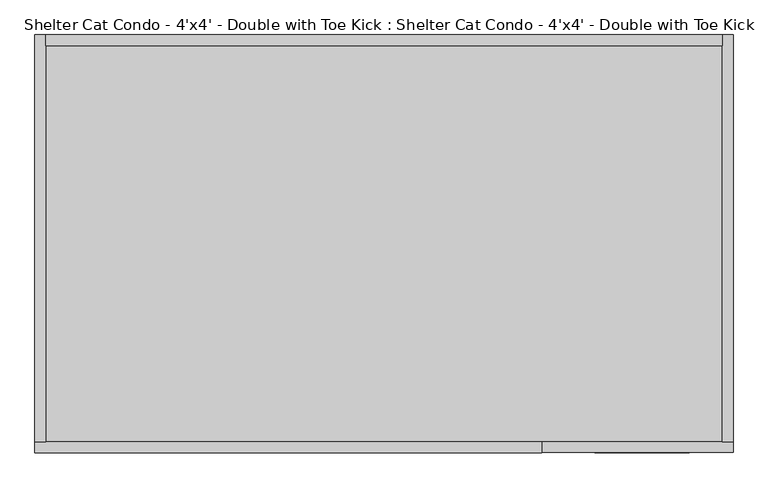
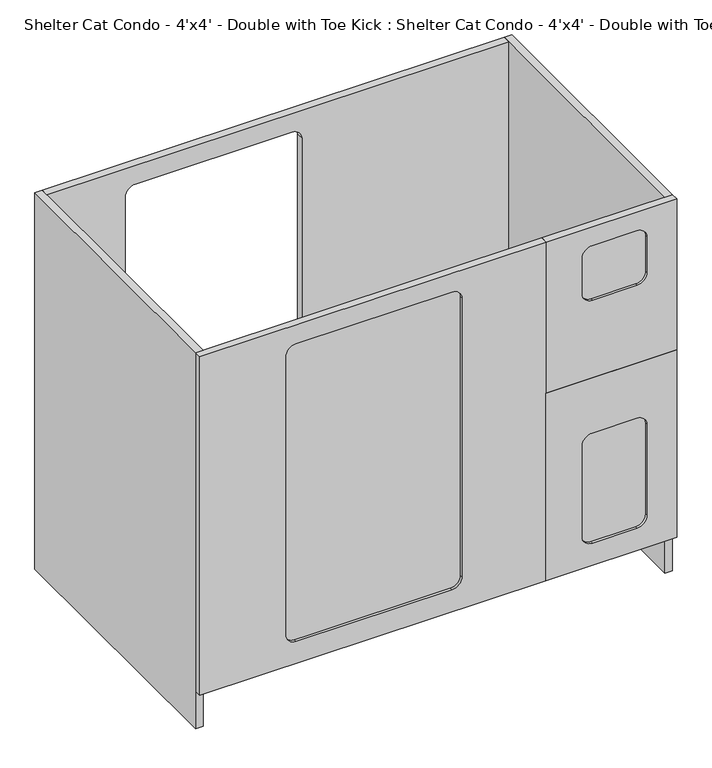
"""IFC4 building model written with IfcOpenShell, lengths in millimetres: proxy geometry, Shelter Cat Condo - 4'x4' - Double with Toe Kick : Shelter Cat Condo - 4'x4' - Double with Toe Kick."""

from ifc_helpers import new_model, si_unit, point, frame, frame_2d, origin, origin_with_axes, place, context, project, spatial, polyline, circle_curve, trimmed, segment, composite_curve, outline, extrude, source, transform, mapped, element, save


def shelter_cat_condo_4_x4_double_with_toe_kick_shelter_cat_16726b8e(model_context):
    return source(origin(), model_context, "Body", "SweptSolid", [
        extrude(outline(polyline([(1016.0, -19.05), (1016.0, -1200.15), (101.6, -1200.15), (101.6, -19.05), (1016.0, -19.05)]), holes=[composite_curve([segment(polyline([(939.8, -547.8058786), (187.325, -547.8058786)]), True, "CONTINUOUS"), segment(trimmed(circle_curve(frame_2d((187.325, -573.2058786)), 25.4), [point((187.325, -547.8058786))], [point((161.925, -573.2058786))], True, "CARTESIAN"), True, "CONTINUOUS"), segment(polyline([(161.925, -573.2058786), (161.925, -972.7319653)]), True, "CONTINUOUS"), segment(trimmed(circle_curve(frame_2d((187.325, -972.7319653)), 25.4), [point((161.925, -972.7319653))], [point((187.325, -998.1319653))], True, "CARTESIAN"), True, "CONTINUOUS"), segment(polyline([(187.325, -998.1319653), (939.8, -998.1319653)]), True, "CONTINUOUS"), segment(trimmed(circle_curve(frame_2d((939.8, -972.7319653)), 25.4), [point((939.8, -998.1319653))], [point((965.2, -972.7319653))], True, "CARTESIAN"), True, "CONTINUOUS"), segment(polyline([(965.2, -972.7319653), (965.2, -573.2058786)]), True, "CONTINUOUS"), segment(trimmed(circle_curve(frame_2d((939.8, -573.2058786)), 25.4), [point((965.2, -573.2058786))], [point((939.8, -547.8058786))], True, "CARTESIAN"), True, "CONTINUOUS")], self_intersect=False)]), frame((0.0, 692.15, 0.0), z_axis=(0.0, 1.0, 0.0), x_axis=(0.0, 0.0, 1.0)), (0.0, 0.0, 1.0), 19.05),
        extrude(outline(polyline([(-19.05, 0.0), (-1200.15, 0.0), (-1200.15, 692.15), (-19.05, 692.15), (-19.05, 0.0)])), frame((0.0, 0.0, 101.6), z_axis=(0.0, 0.0, 1.0), x_axis=(1.0, 0.0, 0.0)), (0.0, 0.0, 1.0), 19.05),
        extrude(outline(polyline([(-19.05, 711.2), (0.0, 711.2), (0.0, 0.0), (-19.05, 0.0), (-19.05, 711.2)])), origin_with_axes(), (0.0, 0.0, 1.0), 1016.0),
        extrude(outline(polyline([(-1200.15, 711.2), (-1200.15, 0.0), (-1219.2, 0.0), (-1219.2, 711.2), (-1200.15, 711.2)])), origin_with_axes(), (0.0, 0.0, 1.0), 1016.0),
        extrude(outline(polyline([(608.0125, 0.0), (608.0125, -334.0187348), (101.6, -334.0187348), (101.6, 0.0), (608.0125, 0.0)]), holes=[composite_curve([segment(polyline([(458.7875, -215.9), (458.7875, -101.6)]), True, "CONTINUOUS"), segment(trimmed(circle_curve(frame_2d((433.3875, -101.6)), 25.4), [point((458.7875, -101.6))], [point((433.3875, -76.2))], True, "CARTESIAN"), True, "CONTINUOUS"), segment(polyline([(433.3875, -76.2), (187.325, -76.2)]), True, "CONTINUOUS"), segment(trimmed(circle_curve(frame_2d((187.325, -101.6)), 25.4), [point((187.325, -76.2))], [point((161.925, -101.6))], True, "CARTESIAN"), True, "CONTINUOUS"), segment(polyline([(161.925, -101.6), (161.925, -215.9)]), True, "CONTINUOUS"), segment(trimmed(circle_curve(frame_2d((187.325, -215.9)), 25.4), [point((161.925, -215.9))], [point((187.325, -241.3))], True, "CARTESIAN"), True, "CONTINUOUS"), segment(polyline([(187.325, -241.3), (433.3875, -241.3)]), True, "CONTINUOUS"), segment(trimmed(circle_curve(frame_2d((433.3875, -215.9)), 25.4), [point((433.3875, -241.3))], [point((458.7875, -215.9))], True, "CARTESIAN"), True, "CONTINUOUS")], self_intersect=False)]), frame((0.0, -18.7492455, 0.0), z_axis=(0.0, 1.0, 0.0), x_axis=(0.0, 0.0, 1.0)), (0.0, 0.0, 1.0), 19.05),
        extrude(outline(composite_curve([segment(polyline([(965.2, -101.6), (965.2, -215.9)]), True, "CONTINUOUS"), segment(trimmed(circle_curve(frame_2d((939.8, -215.9)), 25.4), [point((965.2, -215.9))], [point((939.8, -241.3))], False, "CARTESIAN"), True, "CONTINUOUS"), segment(polyline([(939.8, -241.3), (843.4355774, -241.3)]), True, "CONTINUOUS"), segment(trimmed(circle_curve(frame_2d((843.4355774, -215.9)), 25.4), [point((843.4355774, -241.3))], [point((818.0355774, -215.9))], False, "CARTESIAN"), True, "CONTINUOUS"), segment(polyline([(818.0355774, -215.9), (818.0355774, -101.6)]), True, "CONTINUOUS"), segment(trimmed(circle_curve(frame_2d((843.4355774, -101.6)), 25.4), [point((818.0355774, -101.6))], [point((843.4355774, -76.2))], False, "CARTESIAN"), True, "CONTINUOUS"), segment(polyline([(843.4355774, -76.2), (939.8, -76.2)]), True, "CONTINUOUS"), segment(trimmed(circle_curve(frame_2d((939.8, -101.6)), 25.4), [point((939.8, -76.2))], [point((965.2, -101.6))], False, "CARTESIAN"), True, "CONTINUOUS")], self_intersect=False)), frame((0.0, -12.7, 0.0), z_axis=(0.0, 1.0, 0.0), x_axis=(0.0, 0.0, 1.0)), (0.0, 0.0, 1.0), 6.35),
        extrude(outline(composite_curve([segment(polyline([(965.2, -101.6), (965.2, -215.9)]), True, "CONTINUOUS"), segment(trimmed(circle_curve(frame_2d((939.8, -215.9)), 25.4), [point((965.2, -215.9))], [point((939.8, -241.3))], False, "CARTESIAN"), True, "CONTINUOUS"), segment(polyline([(939.8, -241.3), (843.4355774, -241.3)]), True, "CONTINUOUS"), segment(trimmed(circle_curve(frame_2d((843.4355774, -215.9)), 25.4), [point((843.4355774, -241.3))], [point((818.0355774, -215.9))], False, "CARTESIAN"), True, "CONTINUOUS"), segment(polyline([(818.0355774, -215.9), (818.0355774, -101.6)]), True, "CONTINUOUS"), segment(trimmed(circle_curve(frame_2d((843.4355774, -101.6)), 25.4), [point((818.0355774, -101.6))], [point((843.4355774, -76.2))], False, "CARTESIAN"), True, "CONTINUOUS"), segment(polyline([(843.4355774, -76.2), (939.8, -76.2)]), True, "CONTINUOUS"), segment(trimmed(circle_curve(frame_2d((939.8, -101.6)), 25.4), [point((939.8, -76.2))], [point((965.2, -101.6))], False, "CARTESIAN"), True, "CONTINUOUS")], self_intersect=False)), frame((0.0, -12.7, 0.0), z_axis=(0.0, 1.0, 0.0), x_axis=(0.0, 0.0, 1.0)), (0.0, 0.0, 1.0), 6.35),
        extrude(outline(composite_curve([segment(polyline([(458.7875, -101.6), (458.7875, -215.9)]), True, "CONTINUOUS"), segment(trimmed(circle_curve(frame_2d((433.3875, -215.9)), 25.4), [point((458.7875, -215.9))], [point((433.3875, -241.3))], False, "CARTESIAN"), True, "CONTINUOUS"), segment(polyline([(433.3875, -241.3), (187.325, -241.3)]), True, "CONTINUOUS"), segment(trimmed(circle_curve(frame_2d((187.325, -215.9)), 25.4), [point((187.325, -241.3))], [point((161.925, -215.9))], False, "CARTESIAN"), True, "CONTINUOUS"), segment(polyline([(161.925, -215.9), (161.925, -101.6)]), True, "CONTINUOUS"), segment(trimmed(circle_curve(frame_2d((187.325, -101.6)), 25.4), [point((161.925, -101.6))], [point((187.325, -76.2))], False, "CARTESIAN"), True, "CONTINUOUS"), segment(polyline([(187.325, -76.2), (433.3875, -76.2)]), True, "CONTINUOUS"), segment(trimmed(circle_curve(frame_2d((433.3875, -101.6)), 25.4), [point((433.3875, -76.2))], [point((458.7875, -101.6))], False, "CARTESIAN"), True, "CONTINUOUS")], self_intersect=False)), frame((0.0, -12.7, 0.0), z_axis=(0.0, 1.0, 0.0), x_axis=(0.0, 0.0, 1.0)), (0.0, 0.0, 1.0), 6.35),
        extrude(outline(polyline([(1016.0, -334.0187348), (1016.0, -1219.2), (101.6, -1219.2), (101.6, -334.0187348), (1016.0, -334.0187348)]), holes=[composite_curve([segment(polyline([(939.8, -549.1512666), (187.325, -549.1512666)]), True, "CONTINUOUS"), segment(trimmed(circle_curve(frame_2d((187.325, -574.5512666)), 25.4), [point((187.325, -549.1512666))], [point((161.925, -574.5512666))], True, "CARTESIAN"), True, "CONTINUOUS"), segment(polyline([(161.925, -574.5512666), (161.925, -973.2558786)]), True, "CONTINUOUS"), segment(trimmed(circle_curve(frame_2d((187.325, -973.2558786)), 25.4), [point((161.925, -973.2558786))], [point((187.325, -998.6558786))], True, "CARTESIAN"), True, "CONTINUOUS"), segment(polyline([(187.325, -998.6558786), (939.8, -998.6558786)]), True, "CONTINUOUS"), segment(trimmed(circle_curve(frame_2d((939.8, -973.2558786)), 25.4), [point((939.8, -998.6558786))], [point((965.2, -973.2558786))], True, "CARTESIAN"), True, "CONTINUOUS"), segment(polyline([(965.2, -973.2558786), (965.2, -574.5512666)]), True, "CONTINUOUS"), segment(trimmed(circle_curve(frame_2d((939.8, -574.5512666)), 25.4), [point((965.2, -574.5512666))], [point((939.8, -549.1512666))], True, "CARTESIAN"), True, "CONTINUOUS")], self_intersect=False)]), frame((0.0, -19.05, 0.0), z_axis=(0.0, 1.0, 0.0), x_axis=(0.0, 0.0, 1.0)), (0.0, 0.0, 1.0), 19.05),
        extrude(outline(polyline([(1016.0, 0.0), (1016.0, -334.0187348), (604.8375, -334.0187348), (604.8375, 0.0), (1016.0, 0.0)]), holes=[composite_curve([segment(polyline([(965.2, -215.9), (965.2, -101.6)]), True, "CONTINUOUS"), segment(trimmed(circle_curve(frame_2d((939.8, -101.6)), 25.4), [point((965.2, -101.6))], [point((939.8, -76.2))], True, "CARTESIAN"), True, "CONTINUOUS"), segment(polyline([(939.8, -76.2), (843.4355774, -76.2)]), True, "CONTINUOUS"), segment(trimmed(circle_curve(frame_2d((843.4355774, -101.6)), 25.4), [point((843.4355774, -76.2))], [point((818.0355774, -101.6))], True, "CARTESIAN"), True, "CONTINUOUS"), segment(polyline([(818.0355774, -101.6), (818.0355774, -215.9)]), True, "CONTINUOUS"), segment(trimmed(circle_curve(frame_2d((843.4355774, -215.9)), 25.4), [point((818.0355774, -215.9))], [point((843.4355774, -241.3))], True, "CARTESIAN"), True, "CONTINUOUS"), segment(polyline([(843.4355774, -241.3), (939.8, -241.3)]), True, "CONTINUOUS"), segment(trimmed(circle_curve(frame_2d((939.8, -215.9)), 25.4), [point((939.8, -241.3))], [point((965.2, -215.9))], True, "CARTESIAN"), True, "CONTINUOUS")], self_intersect=False)]), frame((0.0, -18.7492455, 0.0), z_axis=(0.0, 1.0, 0.0), x_axis=(0.0, 0.0, 1.0)), (0.0, 0.0, 1.0), 19.05),
        extrude(outline(composite_curve([segment(polyline([(965.2, -573.2058786), (965.2, -973.2558786)]), True, "CONTINUOUS"), segment(trimmed(circle_curve(frame_2d((939.8, -973.2558786)), 25.4), [point((965.2, -973.2558786))], [point((939.8, -998.6558786))], False, "CARTESIAN"), True, "CONTINUOUS"), segment(polyline([(939.8, -998.6558786), (187.325, -998.6558786)]), True, "CONTINUOUS"), segment(trimmed(circle_curve(frame_2d((187.325, -973.2558786)), 25.4), [point((187.325, -998.6558786))], [point((161.925, -973.2558786))], False, "CARTESIAN"), True, "CONTINUOUS"), segment(polyline([(161.925, -973.2558786), (161.925, -573.2058786)]), True, "CONTINUOUS"), segment(trimmed(circle_curve(frame_2d((187.325, -573.2058786)), 25.4), [point((161.925, -573.2058786))], [point((187.325, -547.8058786))], False, "CARTESIAN"), True, "CONTINUOUS"), segment(polyline([(187.325, -547.8058786), (939.8, -547.8058786)]), True, "CONTINUOUS"), segment(trimmed(circle_curve(frame_2d((939.8, -573.2058786)), 25.4), [point((939.8, -547.8058786))], [point((965.2, -573.2058786))], False, "CARTESIAN"), True, "CONTINUOUS")], self_intersect=False)), frame((0.0, -12.7, 0.0), z_axis=(0.0, 1.0, 0.0), x_axis=(0.0, 0.0, 1.0)), (0.0, 0.0, 1.0), 6.35),
    ])


if __name__ == "__main__":
    model = new_model("IFC4")
    model_context = context("Model", 3, world=origin())
    ifc_project = project(units=[si_unit("LENGTHUNIT", "METRE", prefix="MILLI")], contexts=[model_context])
    site = spatial("IfcSite", under=ifc_project)
    building = spatial("IfcBuilding", under=site)
    placement = place(None, origin())
    shelter_cat_condo_4_x4_double_with_toe_kick_shelter_cat_shape = shelter_cat_condo_4_x4_double_with_toe_kick_shelter_cat_16726b8e(model_context)
    element("IfcBuildingElementProxy", 1, Name="Shelter Cat Condo - 4'x4' - Double with Toe Kick : Shelter Cat Condo - 4'x4' - Double with Toe Kick", ObjectType="Shelter Cat Condo - 4'x4' - Double with Toe Kick : Shelter Cat Condo - 4'x4' - Double with Toe Kick", at=placement, inside=building, context=model_context, shape_type="MappedRepresentation", body=[
        mapped(shelter_cat_condo_4_x4_double_with_toe_kick_shelter_cat_shape, transform((0.0, 0.0, 0.0), x_axis=(1.0, 0.0, 0.0), y_axis=(0.0, 1.0, 0.0), z_axis=(0.0, 0.0, 1.0))),
    ])
    save(model, "model.ifc")
